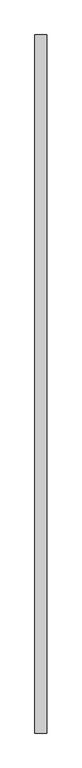
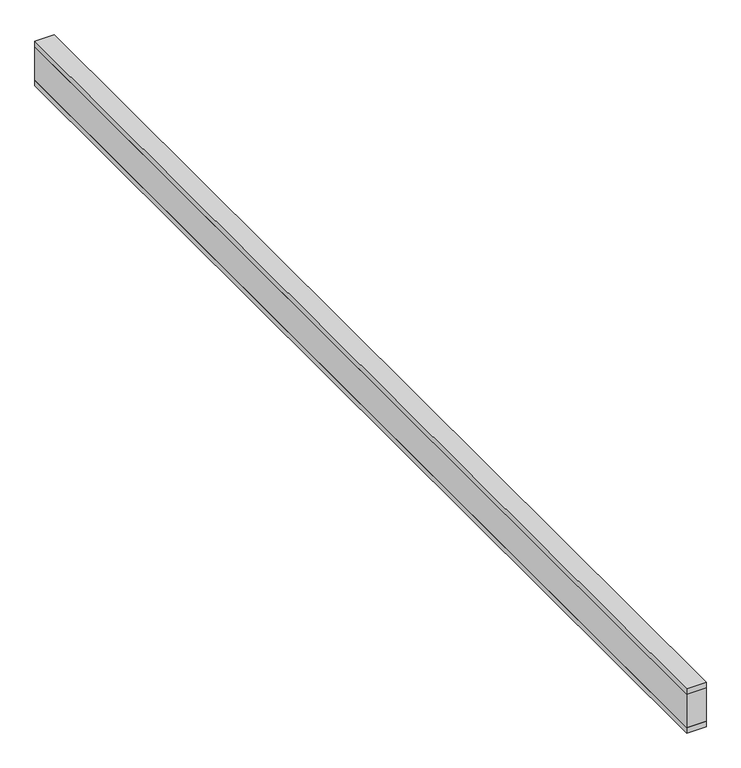
"""IFC4 building model written with IfcOpenShell, lengths in millimetres: proxy geometry."""

from ifc_helpers import new_model, si_unit, frame, origin, place, context, project, spatial, polyline, outline, extrude, source, transform, mapped, element, save


def specialty_equipment_6aea4ba3(model_context):
    return source(origin(), model_context, "Body", "SweptSolid", [
        extrude(outline(polyline([(25.0, 1445.0), (25.0, -1445.0), (-25.0, -1445.0), (-25.0, 1445.0), (25.0, 1445.0)])), frame((0.0, 0.0, -15.0), z_axis=(0.0, 0.0, 1.0), x_axis=(1.0, 0.0, 0.0)), (0.0, 0.0, 1.0), 15.0),
        extrude(outline(polyline([(25.0, 1445.0), (25.0, -1445.0), (-25.0, -1445.0), (-25.0, 1445.0), (25.0, 1445.0)])), frame((0.0, 0.0, -105.0), z_axis=(0.0, 0.0, 1.0), x_axis=(1.0, 0.0, 0.0)), (0.0, 0.0, 1.0), 90.0),
        extrude(outline(polyline([(25.0, 1445.0), (25.0, -1445.0), (-25.0, -1445.0), (-25.0, 1445.0), (25.0, 1445.0)])), frame((0.0, 0.0, -120.0), z_axis=(0.0, 0.0, 1.0), x_axis=(1.0, 0.0, 0.0)), (0.0, 0.0, 1.0), 15.0),
    ])


if __name__ == "__main__":
    model = new_model("IFC4")
    model_context = context("Model", 3, world=origin())
    ifc_project = project(units=[si_unit("LENGTHUNIT", "METRE", prefix="MILLI")], contexts=[model_context])
    site = spatial("IfcSite", under=ifc_project)
    building = spatial("IfcBuilding", under=site)
    placement = place(None, origin())
    specialty_equipment_shape = specialty_equipment_6aea4ba3(model_context)
    element("IfcBuildingElementProxy", 1, Name="Specialty Equipment", at=placement, inside=building, context=model_context, shape_type="MappedRepresentation", body=[
        mapped(specialty_equipment_shape, transform((0.0, 0.0, 0.0), x_axis=(1.0, 0.0, 0.0), y_axis=(0.0, 1.0, 0.0), z_axis=(0.0, 0.0, 1.0))),
    ])
    save(model, "model.ifc")
